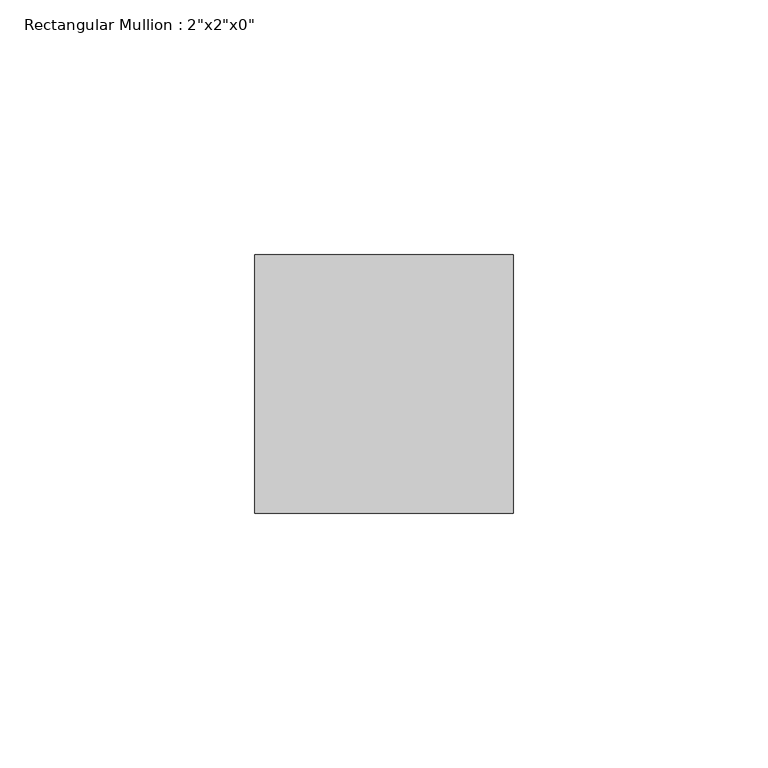
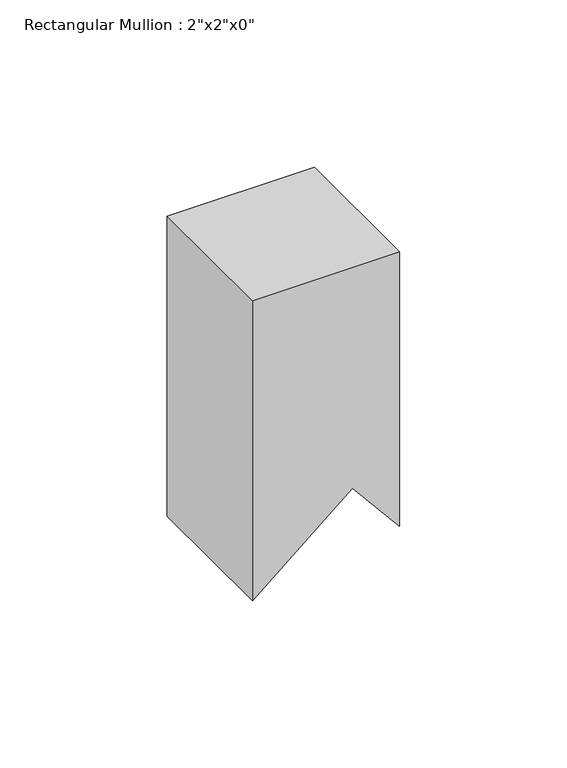
"""IFC4 building model written with IfcOpenShell, lengths in millimetres: member geometry."""

from ifc_helpers import new_model, si_unit, origin, place, context, project, spatial, faceted_brep, source, transform, mapped, element, save


def member_2591c2c0(model_context):
    return source(origin(), model_context, "Body", "Brep", [
        faceted_brep([(0.0, 25.4, 0.0), (-50.8, 25.4, 0.0), (-50.8, -25.4, 0.0), (0.0, -25.4, 0.0), (0.0, 25.4, -100.0413732), (-6.9272727, 25.4, -91.7158275), (-16.2458946, 25.4, -80.5162379), (-50.8, 25.4, -109.2669915), (-50.8, -25.4, -109.2669915), (-16.2458946, -25.4, -80.5162379), (0.0, -25.4, -100.0413732)], [[[0, 1, 2, 3]], [[1, 0, 4, 5, 6, 7]], [[2, 1, 7, 8]], [[3, 2, 8, 9, 10]], [[0, 3, 10, 4]], [[4, 10, 9, 6, 5]], [[9, 8, 7, 6]]]),
    ])


if __name__ == "__main__":
    model = new_model("IFC4")
    model_context = context("Model", 3, world=origin())
    ifc_project = project(units=[si_unit("LENGTHUNIT", "METRE", prefix="MILLI")], contexts=[model_context])
    site = spatial("IfcSite", under=ifc_project)
    building = spatial("IfcBuilding", under=site)
    placement = place(None, origin())
    member_shape = member_2591c2c0(model_context)
    element("IfcMember", 1, ObjectType="Rectangular Mullion : 2\"x2\"x0\"", at=placement, inside=building, context=model_context, shape_type="MappedRepresentation", body=[
        mapped(member_shape, transform((0.0, 0.0, 0.0), x_axis=(1.0, 0.0, 0.0), y_axis=(0.0, 1.0, 0.0), z_axis=(0.0, 0.0, 1.0))),
    ])
    save(model, "model.ifc")
